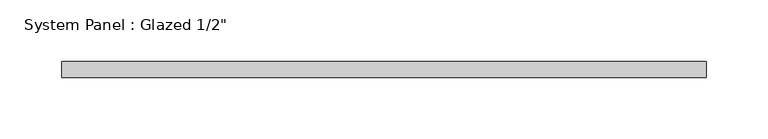
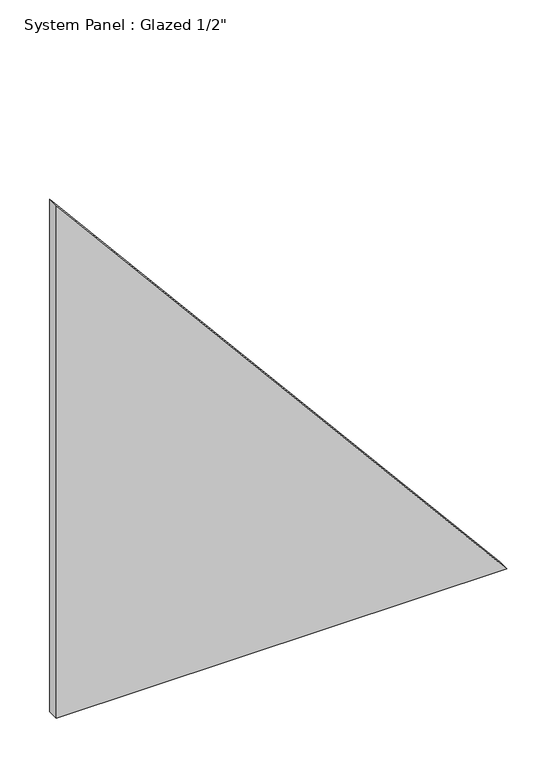
"""IFC4 building model written with IfcOpenShell, lengths in millimetres: plate geometry."""

from ifc_helpers import new_model, si_unit, frame, origin, place, context, project, spatial, polyline, outline, extrude, source, transform, mapped, element, save


def plate_fc1a7ff7(model_context):
    return source(origin(), model_context, "Body", "SweptSolid", [
        extrude(outline(polyline([(0.0, -260.6070441), (0.0, 260.6070441), (626.4213736, -260.6070441), (0.0, -260.6070441)])), frame((0.0, -6.35, 0.0), z_axis=(0.0, 1.0, 0.0), x_axis=(0.0, 0.0, 1.0)), (0.0, 0.0, 1.0), 12.7),
    ])


if __name__ == "__main__":
    model = new_model("IFC4")
    model_context = context("Model", 3, world=origin())
    ifc_project = project(units=[si_unit("LENGTHUNIT", "METRE", prefix="MILLI")], contexts=[model_context])
    site = spatial("IfcSite", under=ifc_project)
    building = spatial("IfcBuilding", under=site)
    placement = place(None, origin())
    plate_shape = plate_fc1a7ff7(model_context)
    element("IfcPlate", 1, ObjectType="System Panel : Glazed 1/2\"", at=placement, inside=building, context=model_context, shape_type="MappedRepresentation", body=[
        mapped(plate_shape, transform((0.0, 0.0, 0.0), x_axis=(1.0, 0.0, 0.0), y_axis=(0.0, 1.0, 0.0), z_axis=(0.0, 0.0, 1.0))),
    ])
    save(model, "model.ifc")
